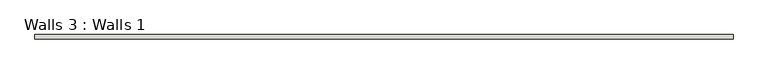
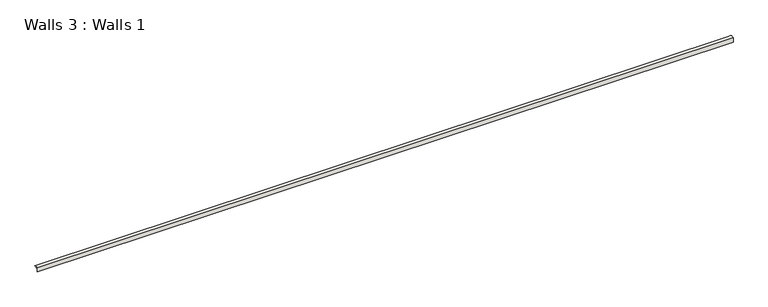
"""IFC4 building model written with IfcOpenShell, lengths in millimetres: wall geometry, Walls 3 : Walls 1."""

from ifc_helpers import new_model, si_unit, point, frame, frame_2d, origin, place, context, project, spatial, polyline, circle_curve, trimmed, segment, composite_curve, outline, extrude, source, transform, mapped, element, save


def walls_3_walls_1_3c7bf2bb(model_context):
    return source(origin(), model_context, "Body", "SweptSolid", [
        extrude(outline(composite_curve([segment(polyline([(3750.6442842, 3.1732159), (3750.6442842, 0.0), (3744.2942842, 0.0), (3744.2942842, -9.8564932), (3742.7514037, -9.8564932), (3742.7514037, 4.8468939)]), True, "CONTINUOUS"), segment(trimmed(circle_curve(frame_2d((3748.7218304, -5.7849882)), 12.1935603), [point((3742.7514037, 4.8468939))], [point((3756.9942842, 3.1732159))], False, "CARTESIAN"), True, "CONTINUOUS"), segment(polyline([(3756.9942842, 3.1732159), (3750.6442842, 3.1732159)]), True, "CONTINUOUS")], self_intersect=False)), frame((-316.1487929, 0.0, 0.0), z_axis=(1.0, 0.0, 0.0), x_axis=(0.0, 1.0, 0.0)), (0.0, 0.0, 1.0), 2286.0),
    ])


if __name__ == "__main__":
    model = new_model("IFC4")
    model_context = context("Model", 3, world=origin())
    ifc_project = project(units=[si_unit("LENGTHUNIT", "METRE", prefix="MILLI")], contexts=[model_context])
    site = spatial("IfcSite", under=ifc_project)
    building = spatial("IfcBuilding", under=site)
    placement = place(None, origin())
    walls_3_walls_1_shape = walls_3_walls_1_3c7bf2bb(model_context)
    element("IfcWall", 1, ObjectType="Walls 3 : Walls 1", at=placement, inside=building, context=model_context, shape_type="MappedRepresentation", body=[
        mapped(walls_3_walls_1_shape, transform((0.0, 0.0, 0.0), x_axis=(1.0, 0.0, 0.0), y_axis=(0.0, 1.0, 0.0), z_axis=(0.0, 0.0, 1.0))),
    ])
    save(model, "model.ifc")
